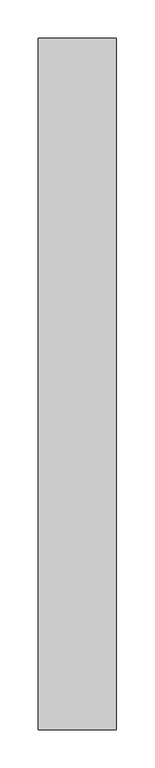
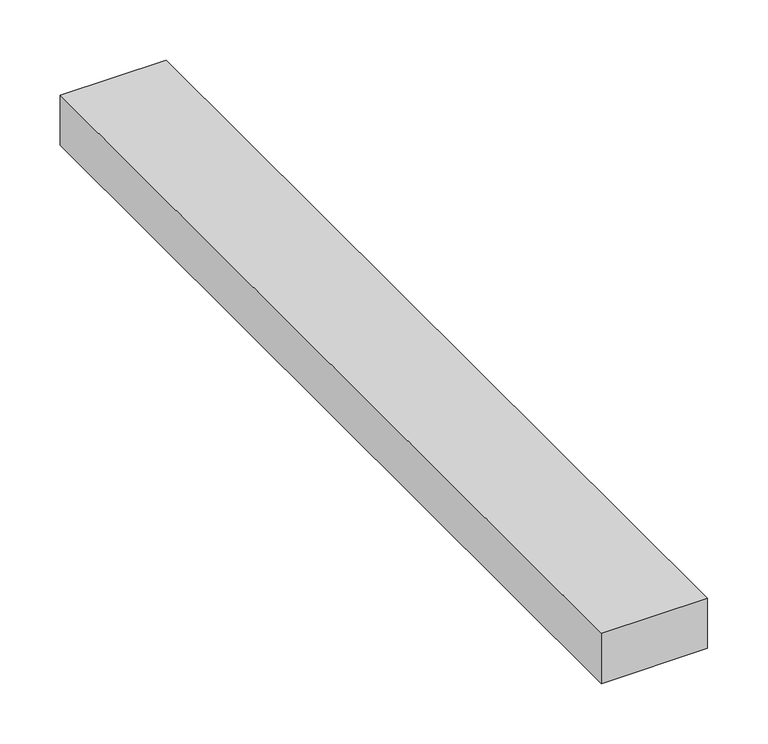
"""IFC4 building model written with IfcOpenShell, lengths in millimetres: proxy geometry."""

from ifc_helpers import new_model, si_unit, origin, origin_with_axes, place, context, project, spatial, polyline, outline, extrude, source, transform, mapped, element, save


def generic_models_7837a98f(model_context):
    return source(origin(), model_context, "Body", "SweptSolid", [
        extrude(outline(polyline([(101.6, 0.0), (0.0, 0.0), (0.0, 900.0), (101.6, 900.0), (101.6, 0.0)])), origin_with_axes(), (0.0, 0.0, 1.0), 50.8),
    ])


if __name__ == "__main__":
    model = new_model("IFC4")
    model_context = context("Model", 3, world=origin())
    ifc_project = project(units=[si_unit("LENGTHUNIT", "METRE", prefix="MILLI")], contexts=[model_context])
    site = spatial("IfcSite", under=ifc_project)
    building = spatial("IfcBuilding", under=site)
    placement = place(None, origin())
    generic_models_shape = generic_models_7837a98f(model_context)
    element("IfcBuildingElementProxy", 1, Name="Generic Models", at=placement, inside=building, context=model_context, shape_type="MappedRepresentation", body=[
        mapped(generic_models_shape, transform((0.0, 0.0, 0.0), x_axis=(1.0, 0.0, 0.0), y_axis=(0.0, 1.0, 0.0), z_axis=(0.0, 0.0, 1.0))),
    ])
    save(model, "model.ifc")
